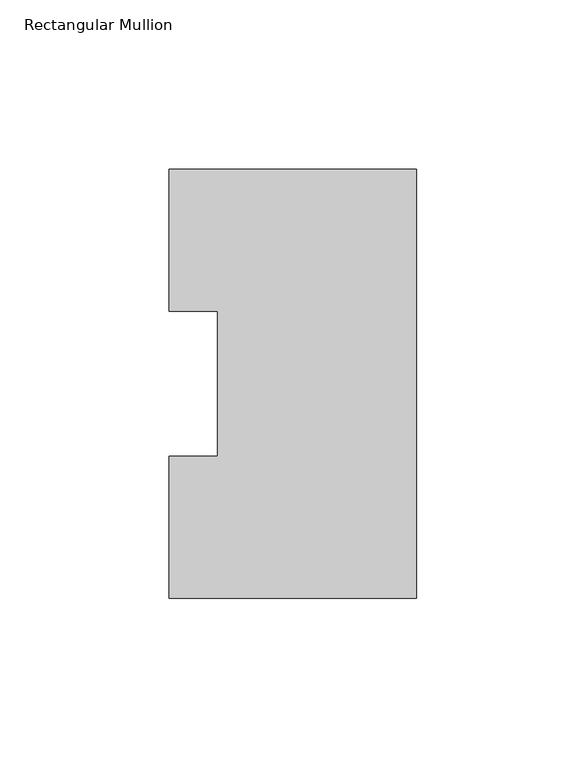
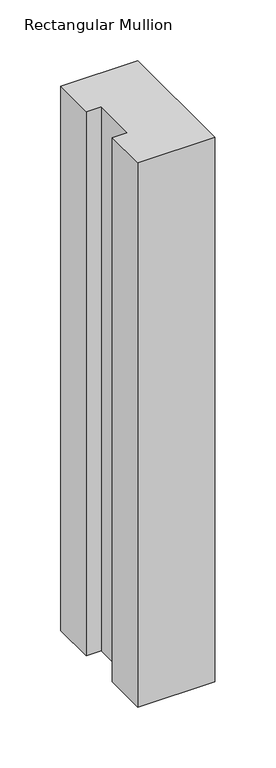
"""IFC4 building model written with IfcOpenShell, lengths in millimetres: member geometry, Rectangular Mullion."""

from ifc_helpers import new_model, si_unit, frame, origin, place, context, project, spatial, polyline, outline, extrude, source, transform, mapped, element, save


def rectangular_mullion_8b179213(model_context):
    return source(origin(), model_context, "Body", "SweptSolid", [
        extrude(outline(polyline([(0.0, 126.75235), (0.0, 0.26035), (-73.025, 0.26035), (-73.025, 42.08145), (-58.7375, 42.08145), (-58.7375, 84.93125), (-73.025, 84.93125), (-73.025, 126.75235), (0.0, 126.75235)])), frame((0.0, 0.0, -546.1), z_axis=(0.0, 0.0, 1.0), x_axis=(1.0, 0.0, 0.0)), (0.0, 0.0, 1.0), 546.1),
    ])


if __name__ == "__main__":
    model = new_model("IFC4")
    model_context = context("Model", 3, world=origin())
    ifc_project = project(units=[si_unit("LENGTHUNIT", "METRE", prefix="MILLI")], contexts=[model_context])
    site = spatial("IfcSite", under=ifc_project)
    building = spatial("IfcBuilding", under=site)
    placement = place(None, origin())
    rectangular_mullion_shape = rectangular_mullion_8b179213(model_context)
    element("IfcMember", 1, ObjectType="Rectangular Mullion", at=placement, inside=building, context=model_context, shape_type="MappedRepresentation", body=[
        mapped(rectangular_mullion_shape, transform((0.0, 0.0, 0.0), x_axis=(1.0, 0.0, 0.0), y_axis=(0.0, 1.0, 0.0), z_axis=(0.0, 0.0, 1.0))),
    ])
    save(model, "model.ifc")
